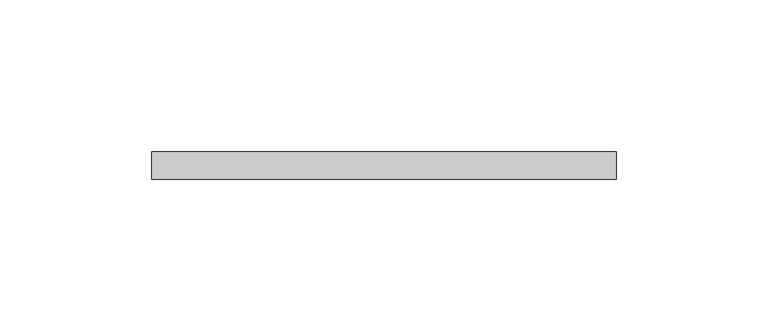
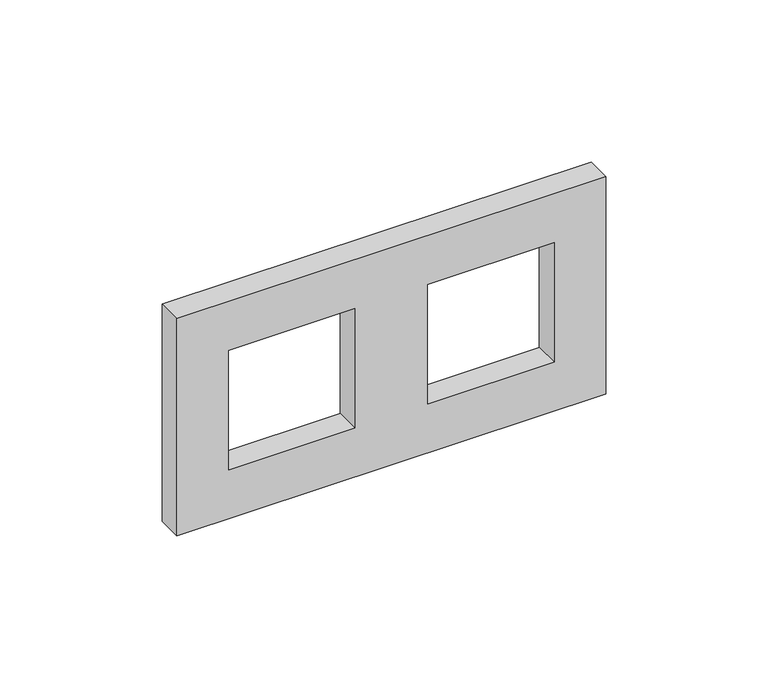
"""IFC4 building model written with IfcOpenShell, lengths in millimetres: proxy geometry."""

from ifc_helpers import new_model, si_unit, frame, origin, place, context, project, spatial, polyline, outline, extrude, source, transform, mapped, element, save


def electrical_fixtures_39849e25(model_context):
    return source(origin(), model_context, "Body", "SweptSolid", [
        extrude(outline(polyline([(41.0, 76.5), (41.0, -76.5), (-41.0, -76.5), (-41.0, 76.5), (41.0, 76.5)]), holes=[polyline([(22.5, -13.0), (-22.5, -13.0), (-22.5, -58.0), (22.5, -58.0), (22.5, -13.0)]), polyline([(22.5, 58.0), (-22.5, 58.0), (-22.5, 13.0), (22.5, 13.0), (22.5, 58.0)])]), frame((0.0, 0.0, 0.0), z_axis=(0.0, 1.0, 0.0), x_axis=(0.0, 0.0, 1.0)), (0.0, 0.0, 1.0), 9.0),
    ])


if __name__ == "__main__":
    model = new_model("IFC4")
    model_context = context("Model", 3, world=origin())
    ifc_project = project(units=[si_unit("LENGTHUNIT", "METRE", prefix="MILLI")], contexts=[model_context])
    site = spatial("IfcSite", under=ifc_project)
    building = spatial("IfcBuilding", under=site)
    placement = place(None, origin())
    electrical_fixtures_shape = electrical_fixtures_39849e25(model_context)
    element("IfcBuildingElementProxy", 1, Name="Electrical Fixtures", at=placement, inside=building, context=model_context, shape_type="MappedRepresentation", body=[
        mapped(electrical_fixtures_shape, transform((0.0, 0.0, 0.0), x_axis=(1.0, 0.0, 0.0), y_axis=(0.0, 1.0, 0.0), z_axis=(0.0, 0.0, 1.0))),
    ])
    save(model, "model.ifc")
